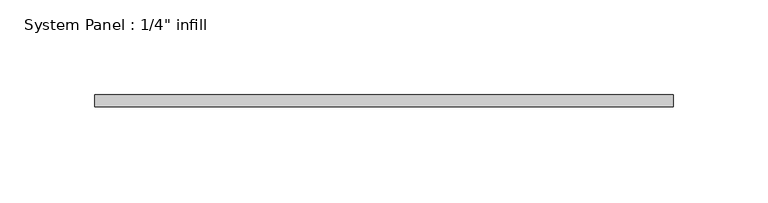
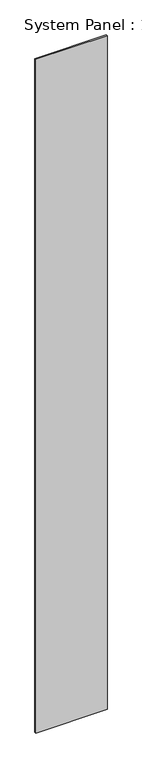
"""IFC4 building model written with IfcOpenShell, lengths in millimetres: plate geometry."""

from ifc_helpers import new_model, si_unit, origin, origin_with_axes, place, context, project, spatial, polyline, outline, extrude, source, transform, mapped, element, save


def plate_10409322(model_context):
    return source(origin(), model_context, "Body", "SweptSolid", [
        extrude(outline(polyline([(152.4884402, -6.35), (-152.4884402, -6.35), (-152.4884402, 0.0), (152.4884402, 0.0), (152.4884402, -6.35)])), origin_with_axes(), (0.0, 0.0, 1.0), 3048.0),
    ])


if __name__ == "__main__":
    model = new_model("IFC4")
    model_context = context("Model", 3, world=origin())
    ifc_project = project(units=[si_unit("LENGTHUNIT", "METRE", prefix="MILLI")], contexts=[model_context])
    site = spatial("IfcSite", under=ifc_project)
    building = spatial("IfcBuilding", under=site)
    placement = place(None, origin())
    plate_shape = plate_10409322(model_context)
    element("IfcPlate", 1, ObjectType="System Panel : 1/4\" infill", at=placement, inside=building, context=model_context, shape_type="MappedRepresentation", body=[
        mapped(plate_shape, transform((0.0, 0.0, 0.0), x_axis=(1.0, 0.0, 0.0), y_axis=(0.0, 1.0, 0.0), z_axis=(0.0, 0.0, 1.0))),
    ])
    save(model, "model.ifc")
